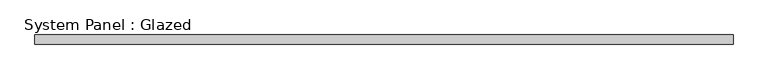
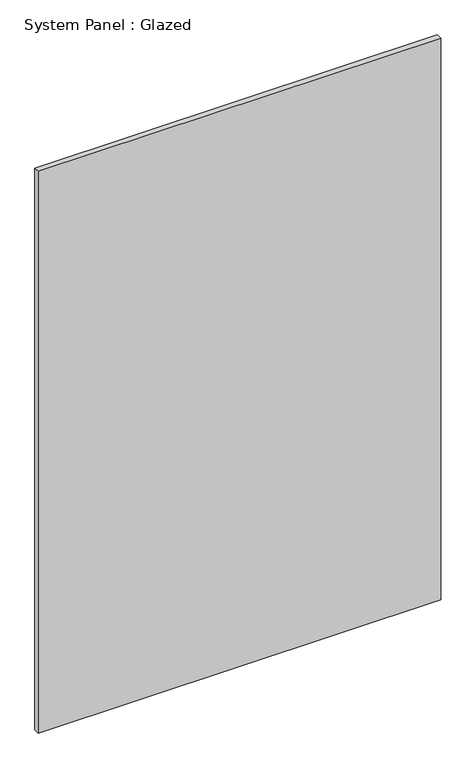
"""IFC4 building model written with IfcOpenShell, lengths in millimetres: plate geometry, System Panel : Glazed."""

from ifc_helpers import new_model, si_unit, origin, origin_with_axes, place, context, project, spatial, polyline, outline, extrude, source, transform, mapped, element, save


def system_panel_glazed_ee1eaf46(model_context):
    return source(origin(), model_context, "Body", "SweptSolid", [
        extrude(outline(polyline([(915.0, 24.5), (-915.0, 24.5), (-915.0, 49.5), (915.0, 49.5), (915.0, 24.5)])), origin_with_axes(), (0.0, 0.0, 1.0), 2700.0),
    ])


if __name__ == "__main__":
    model = new_model("IFC4")
    model_context = context("Model", 3, world=origin())
    ifc_project = project(units=[si_unit("LENGTHUNIT", "METRE", prefix="MILLI")], contexts=[model_context])
    site = spatial("IfcSite", under=ifc_project)
    building = spatial("IfcBuilding", under=site)
    placement = place(None, origin())
    system_panel_glazed_shape = system_panel_glazed_ee1eaf46(model_context)
    element("IfcPlate", 1, ObjectType="System Panel : Glazed", at=placement, inside=building, context=model_context, shape_type="MappedRepresentation", body=[
        mapped(system_panel_glazed_shape, transform((0.0, 0.0, 0.0), x_axis=(1.0, 0.0, 0.0), y_axis=(0.0, 1.0, 0.0), z_axis=(0.0, 0.0, 1.0))),
    ])
    save(model, "model.ifc")
